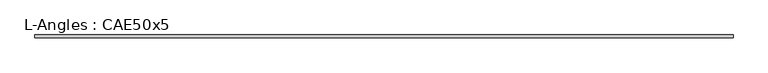
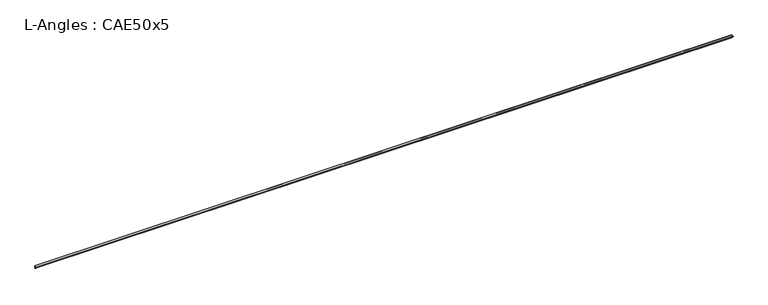
"""IFC4 building model written with IfcOpenShell, lengths in millimetres: beam geometry, L-Angles : CAE50x5."""

from ifc_helpers import new_model, si_unit, point, frame, frame_2d, origin, place, context, project, spatial, polyline, circle_curve, trimmed, segment, composite_curve, outline, extrude, source, transform, mapped, element, save


def l_angles_cae50x5_ec7f582d(model_context):
    return source(origin(), model_context, "Body", "SweptSolid", [
        extrude(outline(composite_curve([segment(polyline([(14.0, 14.0), (14.0, -36.0)]), True, "CONTINUOUS"), segment(trimmed(circle_curve(frame_2d((14.0, -31.0)), 5.0), [point((14.0, -36.0))], [point((9.0, -31.0))], False, "CARTESIAN"), True, "CONTINUOUS"), segment(polyline([(9.0, -31.0), (9.0, 4.0)]), True, "CONTINUOUS"), segment(trimmed(circle_curve(frame_2d((4.0, 4.0)), 5.0), [point((9.0, 4.0))], [point((4.0, 9.0))], True, "CARTESIAN"), True, "CONTINUOUS"), segment(polyline([(4.0, 9.0), (-31.0, 9.0)]), True, "CONTINUOUS"), segment(trimmed(circle_curve(frame_2d((-31.0, 14.0)), 5.0), [point((-31.0, 9.0))], [point((-36.0, 14.0))], False, "CARTESIAN"), True, "CONTINUOUS"), segment(polyline([(-36.0, 14.0), (14.0, 14.0)]), True, "CONTINUOUS")], self_intersect=False)), frame((-6429.0, 0.0, 0.0), z_axis=(1.0, 0.0, 0.0), x_axis=(0.0, 1.0, 0.0)), (0.0, 0.0, 1.0), 12871.0),
    ])


if __name__ == "__main__":
    model = new_model("IFC4")
    model_context = context("Model", 3, world=origin())
    ifc_project = project(units=[si_unit("LENGTHUNIT", "METRE", prefix="MILLI")], contexts=[model_context])
    site = spatial("IfcSite", under=ifc_project)
    building = spatial("IfcBuilding", under=site)
    placement = place(None, origin())
    l_angles_cae50x5_shape = l_angles_cae50x5_ec7f582d(model_context)
    element("IfcBeam", 1, ObjectType="L-Angles : CAE50x5", at=placement, inside=building, context=model_context, shape_type="MappedRepresentation", body=[
        mapped(l_angles_cae50x5_shape, transform((0.0, 0.0, 0.0), x_axis=(1.0, 0.0, 0.0), y_axis=(0.0, 1.0, 0.0), z_axis=(0.0, 0.0, 1.0))),
    ])
    save(model, "model.ifc")
